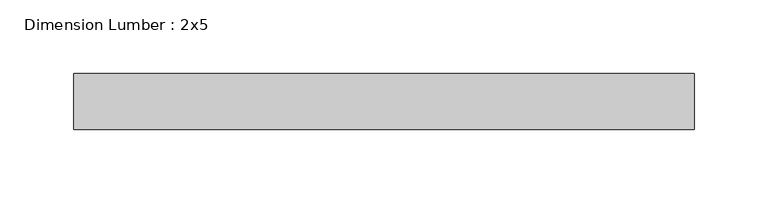
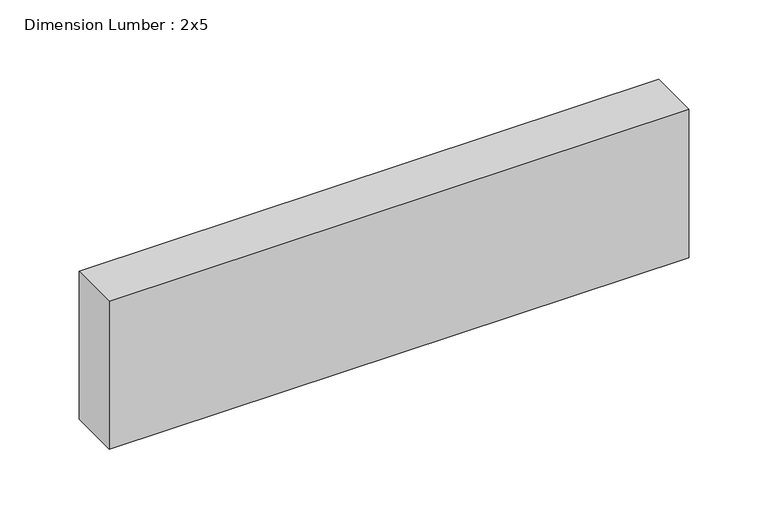
"""IFC4 building model written with IfcOpenShell, lengths in millimetres: beam geometry, Dimension Lumber : 2x5."""

import ifcopenshell
import ifcopenshell.guid

model = None  # the IFC model being written
_history = None  # IfcOwnerHistory: only IFC2X3 demands one
_inside = {}  # id of a spatial element -> (the spatial element, [elements in it])
_under = {}  # id of a project, library or spatial element -> (it, [spatial elements below it])
_declared = {}  # id of a project -> (the project, [libraries it declares])
_typed = {}  # id of a type object -> (the type object, [elements of that type])
_made_of = {}  # id of a material, layer set ... -> (it, [elements and type objects made of it])


def new_model(schema):
    """Start an empty IFC model of exactly this schema.

    Asked for "IFC4X3", IfcOpenShell would pick the latest addendum, in which some entities
    have other attributes; the version numbers below select the first issue.
    IFC2X3 requires an IfcOwnerHistory on every rooted entity: one is made here for all.
    """
    global model, _history
    if schema == "IFC4X3":
        model = ifcopenshell.file(schema_version=(4, 3, 0, 0))
    else:
        model = ifcopenshell.file(schema=schema)
    _inside.clear()
    _under.clear()
    _declared.clear()
    _typed.clear()
    _made_of.clear()
    _history = None
    if model.schema == "IFC2X3":
        org = make("IfcOrganization", Name="unknown")
        user = make(
            "IfcPersonAndOrganization",
            ThePerson=make("IfcPerson", FamilyName="unknown"),
            TheOrganization=org,
        )
        app = make(
            "IfcApplication",
            ApplicationDeveloper=org,
            Version="unknown",
            ApplicationFullName="unknown",
            ApplicationIdentifier="unknown",
        )
        _history = make(
            "IfcOwnerHistory",
            OwningUser=user,
            OwningApplication=app,
            ChangeAction="ADDED",
            CreationDate=0,
        )
    return model


def make(cls, **values):
    """One entity of the class cls with the attributes given. An attribute that is None is left unset."""
    return model.create_entity(
        cls, **{name: value for name, value in values.items() if value is not None}
    )


def rooted(cls, **values):
    """An entity with a GlobalId (a new one), such as an element, a storey or a relation."""
    return make(cls, GlobalId=ifcopenshell.guid.new(), OwnerHistory=_history, **values)


def si_unit(unit_type, name, prefix=None):
    """IfcSIUnit, for example si_unit("LENGTHUNIT", "METRE", prefix="MILLI")."""
    return make("IfcSIUnit", UnitType=unit_type, Prefix=prefix, Name=name)


def assignment(units):
    """IfcUnitAssignment: the units of a project."""
    return None if units is None else make("IfcUnitAssignment", Units=units)


def point(xyz):
    """IfcCartesianPoint."""
    return None if xyz is None else make("IfcCartesianPoint", Coordinates=xyz)


def direction(xyz):
    """IfcDirection."""
    return None if xyz is None else make("IfcDirection", DirectionRatios=xyz)


def frame(location, z_axis=None, x_axis=None):
    """IfcAxis2Placement3D, a coordinate frame: its origin and axes. An axis left out is left unset."""
    return make(
        "IfcAxis2Placement3D",
        Location=point(location),
        Axis=direction(z_axis),
        RefDirection=direction(x_axis),
    )


def origin():
    """The frame at (0, 0, 0) with its axes left unset."""
    return frame((0.0, 0.0, 0.0))


def place(relative_to, where):
    """IfcLocalPlacement: puts the frame where relative to a parent placement (None: the world)."""
    return make(
        "IfcLocalPlacement", PlacementRelTo=relative_to, RelativePlacement=where
    )


def context(
    kind, dimensions, precision=None, world=None, true_north=None, identifier=None
):
    """IfcGeometricRepresentationContext, for example the 3D "Model" context."""
    return make(
        "IfcGeometricRepresentationContext",
        ContextIdentifier=identifier,
        ContextType=kind,
        CoordinateSpaceDimension=dimensions,
        Precision=precision,
        WorldCoordinateSystem=world,
        TrueNorth=true_north,
    )


def project(units=None, contexts=None):
    """IfcProject with its units and contexts."""
    return rooted(
        "IfcProject",
        Name="project",
        RepresentationContexts=contexts,
        UnitsInContext=assignment(units),
    )


def spatial(cls, under=None, at=None, **own):
    """A site, building, storey or space (cls), placed at a placement, below another one or the project."""
    s = rooted(cls, ObjectPlacement=at, **own)
    if under is not None:
        _under.setdefault(under.id(), (under, []))[1].append(s)
    return s


def polyline(points):
    """IfcPolyline through the points."""
    return make("IfcPolyline", Points=[point(p) for p in points])


def outline(outer, holes=None, kind="AREA"):
    """IfcArbitraryClosedProfileDef: a profile drawn as a closed curve; with holes, ...WithVoids."""
    if holes is None:
        return make("IfcArbitraryClosedProfileDef", ProfileType=kind, OuterCurve=outer)
    return make(
        "IfcArbitraryProfileDefWithVoids",
        ProfileType=kind,
        OuterCurve=outer,
        InnerCurves=holes,
    )


def extrude(swept, where, along, depth):
    """IfcExtrudedAreaSolid: the profile swept, set in the frame where, extruded along a direction by depth."""
    return make(
        "IfcExtrudedAreaSolid",
        SweptArea=swept,
        Position=where,
        ExtrudedDirection=direction(along),
        Depth=depth,
    )


def shape(context_of_items, identifier, shape_type, items):
    """IfcShapeRepresentation: the items that make up one representation, for example the "Body"."""
    return make(
        "IfcShapeRepresentation",
        ContextOfItems=context_of_items,
        RepresentationIdentifier=identifier,
        RepresentationType=shape_type,
        Items=items,
    )


def source(mapping_origin, context_of_items, identifier, shape_type, items):
    """IfcRepresentationMap: a shape defined once, which mapped items show again and again."""
    return make(
        "IfcRepresentationMap",
        MappingOrigin=mapping_origin,
        MappedRepresentation=shape(context_of_items, identifier, shape_type, items),
    )


def transform(
    local_origin,
    x_axis=None,
    y_axis=None,
    z_axis=None,
    scale=None,
    scale2=None,
    scale3=None,
    uniform=True,
):
    """IfcCartesianTransformationOperator3D, or its non-uniform kind. x_axis, y_axis, z_axis: its Axis1, 2, 3."""
    if uniform:
        return make(
            "IfcCartesianTransformationOperator3D",
            Axis1=direction(x_axis),
            Axis2=direction(y_axis),
            LocalOrigin=point(local_origin),
            Scale=scale,
            Axis3=direction(z_axis),
        )
    return make(
        "IfcCartesianTransformationOperator3DnonUniform",
        Axis1=direction(x_axis),
        Axis2=direction(y_axis),
        LocalOrigin=point(local_origin),
        Scale=scale,
        Axis3=direction(z_axis),
        Scale2=scale2,
        Scale3=scale3,
    )


def mapped(mapping_source, mapping_target):
    """IfcMappedItem: shows the shape of a source again, moved by a transform."""
    return make(
        "IfcMappedItem", MappingSource=mapping_source, MappingTarget=mapping_target
    )


def made_of(thing, what):
    """Note that an element or type object is made of a material, layer set ...; save() writes the relation."""
    if what is not None:
        _made_of.setdefault(what.id(), (what, []))[1].append(thing)
    return thing


def element(
    cls,
    number,
    at=None,
    inside=None,
    cuts=None,
    type_object=None,
    material=None,
    context=None,
    identifier="Body",
    shape_type=None,
    held_by="IfcProductDefinitionShape",
    body=None,
    shapes=None,
    **own,
):
    """One element of the class cls, such as IfcWall. Its Tag is "e" and its number.

    at: its placement. inside: the storey or other place that contains it. cuts: it is an
    opening in that element (IfcRelVoidsElement). A single representation is given by context,
    identifier, shape_type and body (its items); several are given by shapes. held_by: the class
    of the entity that holds the representations. save() writes the other relations.
    """
    e = rooted(cls, Tag="e%d" % number, ObjectPlacement=at, **own)
    if body is not None:
        shapes = [shape(context, identifier, shape_type, body)]
    if shapes is not None:
        e.Representation = make(held_by, Representations=shapes)
    if inside is not None:
        _inside.setdefault(inside.id(), (inside, []))[1].append(e)
    if cuts is not None:
        rooted(
            "IfcRelVoidsElement", RelatingBuildingElement=cuts, RelatedOpeningElement=e
        )
    if type_object is not None:
        _typed.setdefault(type_object.id(), (type_object, []))[1].append(e)
    return made_of(e, material)


def aggregate(whole, parts):
    """IfcRelAggregates: a whole, such as a stair, and the parts it consists of."""
    return rooted("IfcRelAggregates", RelatingObject=whole, RelatedObjects=parts)


def save(model, path):
    """Write the relations noted so far, then the file.

    IfcRelAggregates (storeys below a building ...), IfcRelContainedInSpatialStructure (elements
    in a storey), IfcRelDefinesByType, IfcRelAssociatesMaterial and IfcRelDeclares: one each for
    every whole, place, type object, material and project.
    """
    for whole, parts in _under.values():
        aggregate(whole, parts)
    for where, things in _inside.values():
        rooted(
            "IfcRelContainedInSpatialStructure",
            RelatedElements=things,
            RelatingStructure=where,
        )
    for kind, things in _typed.values():
        rooted("IfcRelDefinesByType", RelatedObjects=things, RelatingType=kind)
    for what, things in _made_of.values():
        rooted("IfcRelAssociatesMaterial", RelatedObjects=things, RelatingMaterial=what)
    for by, libraries in _declared.values():
        rooted("IfcRelDeclares", RelatingContext=by, RelatedDefinitions=libraries)
    model.write(path)


def dimension_lumber_2x5_464f3c68(model_context):
    return source(origin(), model_context, "Body", "SweptSolid", [
        extrude(outline(polyline([(209.4240339, 19.05), (209.4240339, -19.05), (-212.8654559, -19.05), (-212.8654559, 19.05), (209.4240339, 19.05)])), frame((0.0, 0.0, -57.15), z_axis=(0.0, 0.0, 1.0), x_axis=(1.0, 0.0, 0.0)), (0.0, 0.0, 1.0), 114.3),
    ])


if __name__ == "__main__":
    model = new_model("IFC4")
    model_context = context("Model", 3, world=origin())
    ifc_project = project(units=[si_unit("LENGTHUNIT", "METRE", prefix="MILLI")], contexts=[model_context])
    site = spatial("IfcSite", under=ifc_project)
    building = spatial("IfcBuilding", under=site)
    placement = place(None, origin())
    dimension_lumber_2x5_shape = dimension_lumber_2x5_464f3c68(model_context)
    element("IfcBeam", 1, ObjectType="Dimension Lumber : 2x5", at=placement, inside=building, context=model_context, shape_type="MappedRepresentation", body=[
        mapped(dimension_lumber_2x5_shape, transform((0.0, 0.0, 0.0), x_axis=(1.0, 0.0, 0.0), y_axis=(0.0, 1.0, 0.0), z_axis=(0.0, 0.0, 1.0))),
    ])
    save(model, "model.ifc")
